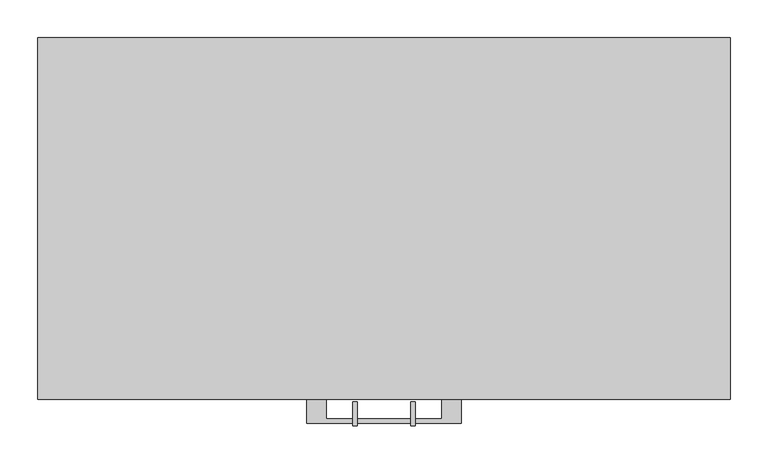
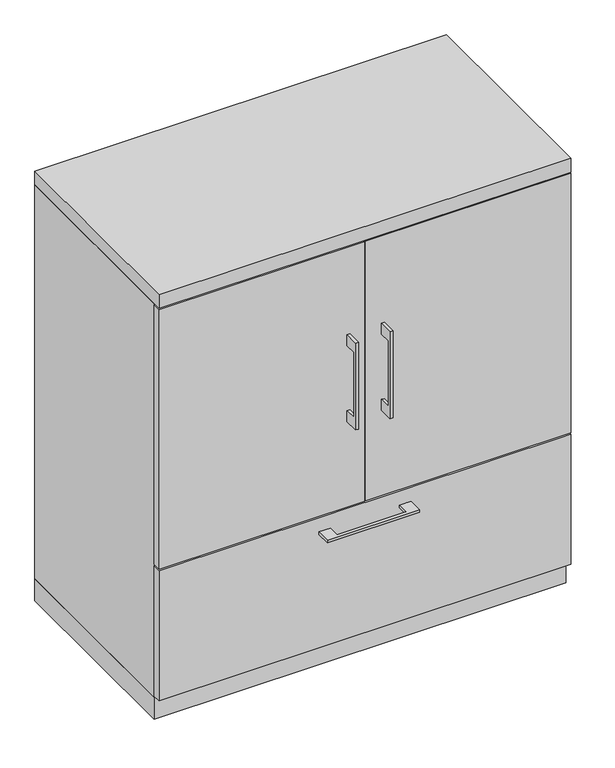
"""IFC4 building model written with IfcOpenShell, lengths in millimetres: furniture geometry."""

from ifc_helpers import new_model, si_unit, frame, origin, origin_with_axes, place, context, project, spatial, polyline, outline, extrude, source, transform, mapped, element, save


def furniture_f1d059be(model_context):
    return source(origin(), model_context, "Body", "SweptSolid", [
        extrude(outline(polyline([(-479.425, 741.3625), (-504.8249758, 741.3625), (-504.8249758, 588.9625), (-479.425, 588.9625), (-479.425, 563.5625), (-511.1749879, 563.5625), (-511.1749879, 766.7625), (-479.425, 766.7625), (-479.425, 741.3625)])), frame((-41.2749879, 0.0, 0.0), z_axis=(1.0, 0.0, 0.0), x_axis=(0.0, 1.0, 0.0)), (0.0, 0.0, 1.0), 6.3499758),
        extrude(outline(polyline([(-455.6125, -476.25), (-455.6125, -457.2), (-1.5875, -457.2), (-1.5875, -476.25), (-455.6125, -476.25)])), frame((0.0, 0.0, 361.95), z_axis=(0.0, 0.0, 1.0), x_axis=(1.0, 0.0, 0.0)), (0.0, 0.0, 1.0), 606.425),
        extrude(outline(polyline([(-479.425, 741.3625), (-504.8249758, 741.3625), (-504.8249758, 588.9625), (-479.425, 588.9625), (-479.425, 563.5625), (-511.1749879, 563.5625), (-511.1749879, 766.7625), (-479.425, 766.7625), (-479.425, 741.3625)])), frame((34.9250121, 0.0, 0.0), z_axis=(1.0, 0.0, 0.0), x_axis=(0.0, 1.0, 0.0)), (0.0, 0.0, 1.0), 6.3499758),
        extrude(outline(polyline([(455.6125, -476.25), (1.5875, -476.25), (1.5875, -457.2), (455.6125, -457.2), (455.6125, -476.25)])), frame((0.0, 0.0, 361.95), z_axis=(0.0, 0.0, 1.0), x_axis=(1.0, 0.0, 0.0)), (0.0, 0.0, 1.0), 606.425),
        extrude(outline(polyline([(436.5625, -19.05), (436.5625, -457.2), (-436.5625, -457.2), (-436.5625, -19.05), (436.5625, -19.05)])), frame((0.0, 0.0, 657.225), z_axis=(0.0, 0.0, 1.0), x_axis=(1.0, 0.0, 0.0)), (0.0, 0.0, 1.0), 19.05),
        extrude(outline(polyline([(-76.1999818, -476.25), (-76.1999818, -501.6499758), (76.2, -501.6499758), (76.2, -476.25), (101.5999939, -476.25), (101.5999939, -507.9999879), (-101.5999939, -507.9999879), (-101.5999939, -476.25), (-76.1999818, -476.25)])), frame((0.0, 0.0, 319.0875506), z_axis=(0.0, 0.0, 1.0), x_axis=(1.0, 0.0, 0.0)), (0.0, 0.0, 1.0), 6.3499758),
        extrude(outline(polyline([(455.6125, -457.2), (455.6125, -476.25), (-455.6125, -476.25), (-455.6125, -457.2), (455.6125, -457.2)])), frame((0.0, 0.0, 53.975), z_axis=(0.0, 0.0, 1.0), x_axis=(1.0, 0.0, 0.0)), (0.0, 0.0, 1.0), 304.8),
        extrude(outline(polyline([(436.5625, -19.05), (436.5625, -457.2), (-436.5625, -457.2), (-436.5625, -19.05), (436.5625, -19.05)])), frame((0.0, 0.0, 50.8), z_axis=(0.0, 0.0, 1.0), x_axis=(1.0, 0.0, 0.0)), (0.0, 0.0, 1.0), 311.15),
        extrude(outline(polyline([(-455.6125, 0.0), (455.6125, 0.0), (455.6125, -457.2), (436.5625, -457.2), (436.5625, -19.05), (-436.5625, -19.05), (-436.5625, -457.2), (-455.6125, -457.2), (-455.6125, 0.0)])), frame((0.0, 0.0, 50.8), z_axis=(0.0, 0.0, 1.0), x_axis=(1.0, 0.0, 0.0)), (0.0, 0.0, 1.0), 920.75),
        extrude(outline(polyline([(455.6125, 0.0), (455.6125, -476.25), (-455.6125, -476.25), (-455.6125, 0.0), (455.6125, 0.0)])), frame((0.0, 0.0, 971.55), z_axis=(0.0, 0.0, 1.0), x_axis=(1.0, 0.0, 0.0)), (0.0, 0.0, 1.0), 31.75),
        extrude(outline(polyline([(455.6125, 0.0), (455.6125, -457.2), (-455.6125, -457.2), (-455.6125, 0.0), (455.6125, 0.0)])), origin_with_axes(), (0.0, 0.0, 1.0), 50.8),
    ])


if __name__ == "__main__":
    model = new_model("IFC4")
    model_context = context("Model", 3, world=origin())
    ifc_project = project(units=[si_unit("LENGTHUNIT", "METRE", prefix="MILLI")], contexts=[model_context])
    site = spatial("IfcSite", under=ifc_project)
    building = spatial("IfcBuilding", under=site)
    placement = place(None, origin())
    furniture_shape = furniture_f1d059be(model_context)
    element("IfcFurniture", 1, at=placement, inside=building, context=model_context, shape_type="MappedRepresentation", body=[
        mapped(furniture_shape, transform((0.0, 0.0, 0.0), x_axis=(1.0, 0.0, 0.0), y_axis=(0.0, 1.0, 0.0), z_axis=(0.0, 0.0, 1.0))),
    ])
    save(model, "model.ifc")
